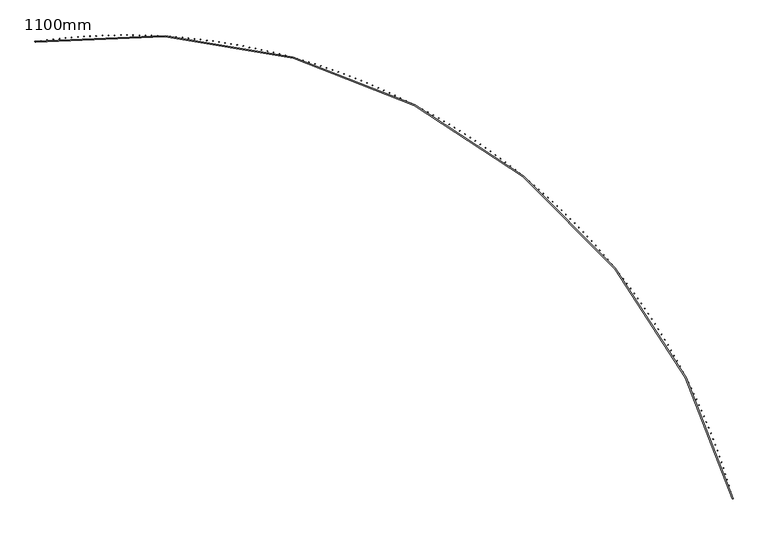
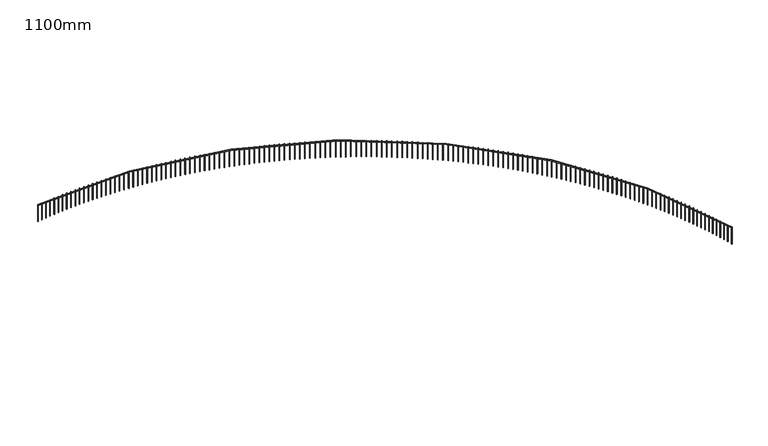
"""IFC4 building model written with IfcOpenShell, lengths in millimetres: railing geometry, 1100mm."""

import ifcopenshell
import ifcopenshell.guid

model = None  # the IFC model being written
_history = None  # IfcOwnerHistory: only IFC2X3 demands one
_inside = {}  # id of a spatial element -> (the spatial element, [elements in it])
_under = {}  # id of a project, library or spatial element -> (it, [spatial elements below it])
_declared = {}  # id of a project -> (the project, [libraries it declares])
_typed = {}  # id of a type object -> (the type object, [elements of that type])
_made_of = {}  # id of a material, layer set ... -> (it, [elements and type objects made of it])


def new_model(schema):
    """Start an empty IFC model of exactly this schema.

    Asked for "IFC4X3", IfcOpenShell would pick the latest addendum, in which some entities
    have other attributes; the version numbers below select the first issue.
    IFC2X3 requires an IfcOwnerHistory on every rooted entity: one is made here for all.
    """
    global model, _history
    if schema == "IFC4X3":
        model = ifcopenshell.file(schema_version=(4, 3, 0, 0))
    else:
        model = ifcopenshell.file(schema=schema)
    _inside.clear()
    _under.clear()
    _declared.clear()
    _typed.clear()
    _made_of.clear()
    _history = None
    if model.schema == "IFC2X3":
        org = make("IfcOrganization", Name="unknown")
        user = make(
            "IfcPersonAndOrganization",
            ThePerson=make("IfcPerson", FamilyName="unknown"),
            TheOrganization=org,
        )
        app = make(
            "IfcApplication",
            ApplicationDeveloper=org,
            Version="unknown",
            ApplicationFullName="unknown",
            ApplicationIdentifier="unknown",
        )
        _history = make(
            "IfcOwnerHistory",
            OwningUser=user,
            OwningApplication=app,
            ChangeAction="ADDED",
            CreationDate=0,
        )
    return model


def make(cls, **values):
    """One entity of the class cls with the attributes given. An attribute that is None is left unset."""
    return model.create_entity(
        cls, **{name: value for name, value in values.items() if value is not None}
    )


def rooted(cls, **values):
    """An entity with a GlobalId (a new one), such as an element, a storey or a relation."""
    return make(cls, GlobalId=ifcopenshell.guid.new(), OwnerHistory=_history, **values)


def si_unit(unit_type, name, prefix=None):
    """IfcSIUnit, for example si_unit("LENGTHUNIT", "METRE", prefix="MILLI")."""
    return make("IfcSIUnit", UnitType=unit_type, Prefix=prefix, Name=name)


def assignment(units):
    """IfcUnitAssignment: the units of a project."""
    return None if units is None else make("IfcUnitAssignment", Units=units)


def point(xyz):
    """IfcCartesianPoint."""
    return None if xyz is None else make("IfcCartesianPoint", Coordinates=xyz)


def direction(xyz):
    """IfcDirection."""
    return None if xyz is None else make("IfcDirection", DirectionRatios=xyz)


def frame(location, z_axis=None, x_axis=None):
    """IfcAxis2Placement3D, a coordinate frame: its origin and axes. An axis left out is left unset."""
    return make(
        "IfcAxis2Placement3D",
        Location=point(location),
        Axis=direction(z_axis),
        RefDirection=direction(x_axis),
    )


def frame_2d(location, x_axis=None):
    """IfcAxis2Placement2D, a coordinate frame in the plane: its origin and x axis."""
    return make(
        "IfcAxis2Placement2D", Location=point(location), RefDirection=direction(x_axis)
    )


def origin():
    """The frame at (0, 0, 0) with its axes left unset."""
    return frame((0.0, 0.0, 0.0))


def place(relative_to, where):
    """IfcLocalPlacement: puts the frame where relative to a parent placement (None: the world)."""
    return make(
        "IfcLocalPlacement", PlacementRelTo=relative_to, RelativePlacement=where
    )


def context(
    kind, dimensions, precision=None, world=None, true_north=None, identifier=None
):
    """IfcGeometricRepresentationContext, for example the 3D "Model" context."""
    return make(
        "IfcGeometricRepresentationContext",
        ContextIdentifier=identifier,
        ContextType=kind,
        CoordinateSpaceDimension=dimensions,
        Precision=precision,
        WorldCoordinateSystem=world,
        TrueNorth=true_north,
    )


def project(units=None, contexts=None):
    """IfcProject with its units and contexts."""
    return rooted(
        "IfcProject",
        Name="project",
        RepresentationContexts=contexts,
        UnitsInContext=assignment(units),
    )


def spatial(cls, under=None, at=None, **own):
    """A site, building, storey or space (cls), placed at a placement, below another one or the project."""
    s = rooted(cls, ObjectPlacement=at, **own)
    if under is not None:
        _under.setdefault(under.id(), (under, []))[1].append(s)
    return s


def polyline(points):
    """IfcPolyline through the points."""
    return make("IfcPolyline", Points=[point(p) for p in points])


def circle_curve(where, radius):
    """IfcCircle in the frame where."""
    return make("IfcCircle", Position=where, Radius=radius)


def trimmed(basis, trim1, trim2, sense, master):
    """IfcTrimmedCurve: the piece of a basis curve between two trims."""
    return make(
        "IfcTrimmedCurve",
        BasisCurve=basis,
        Trim1=trim1,
        Trim2=trim2,
        SenseAgreement=sense,
        MasterRepresentation=master,
    )


def segment(curve, same_sense, transition):
    """IfcCompositeCurveSegment."""
    return make(
        "IfcCompositeCurveSegment",
        Transition=transition,
        SameSense=same_sense,
        ParentCurve=curve,
    )


def composite_curve(segments, self_intersect=None):
    """IfcCompositeCurve: segments joined end to end."""
    return make("IfcCompositeCurve", Segments=segments, SelfIntersect=self_intersect)


def outline(outer, holes=None, kind="AREA"):
    """IfcArbitraryClosedProfileDef: a profile drawn as a closed curve; with holes, ...WithVoids."""
    if holes is None:
        return make("IfcArbitraryClosedProfileDef", ProfileType=kind, OuterCurve=outer)
    return make(
        "IfcArbitraryProfileDefWithVoids",
        ProfileType=kind,
        OuterCurve=outer,
        InnerCurves=holes,
    )


def extrude(swept, where, along, depth):
    """IfcExtrudedAreaSolid: the profile swept, set in the frame where, extruded along a direction by depth."""
    return make(
        "IfcExtrudedAreaSolid",
        SweptArea=swept,
        Position=where,
        ExtrudedDirection=direction(along),
        Depth=depth,
    )


def shape(context_of_items, identifier, shape_type, items):
    """IfcShapeRepresentation: the items that make up one representation, for example the "Body"."""
    return make(
        "IfcShapeRepresentation",
        ContextOfItems=context_of_items,
        RepresentationIdentifier=identifier,
        RepresentationType=shape_type,
        Items=items,
    )


def source(mapping_origin, context_of_items, identifier, shape_type, items):
    """IfcRepresentationMap: a shape defined once, which mapped items show again and again."""
    return make(
        "IfcRepresentationMap",
        MappingOrigin=mapping_origin,
        MappedRepresentation=shape(context_of_items, identifier, shape_type, items),
    )


def transform(
    local_origin,
    x_axis=None,
    y_axis=None,
    z_axis=None,
    scale=None,
    scale2=None,
    scale3=None,
    uniform=True,
):
    """IfcCartesianTransformationOperator3D, or its non-uniform kind. x_axis, y_axis, z_axis: its Axis1, 2, 3."""
    if uniform:
        return make(
            "IfcCartesianTransformationOperator3D",
            Axis1=direction(x_axis),
            Axis2=direction(y_axis),
            LocalOrigin=point(local_origin),
            Scale=scale,
            Axis3=direction(z_axis),
        )
    return make(
        "IfcCartesianTransformationOperator3DnonUniform",
        Axis1=direction(x_axis),
        Axis2=direction(y_axis),
        LocalOrigin=point(local_origin),
        Scale=scale,
        Axis3=direction(z_axis),
        Scale2=scale2,
        Scale3=scale3,
    )


def mapped(mapping_source, mapping_target):
    """IfcMappedItem: shows the shape of a source again, moved by a transform."""
    return make(
        "IfcMappedItem", MappingSource=mapping_source, MappingTarget=mapping_target
    )


def made_of(thing, what):
    """Note that an element or type object is made of a material, layer set ...; save() writes the relation."""
    if what is not None:
        _made_of.setdefault(what.id(), (what, []))[1].append(thing)
    return thing


def element(
    cls,
    number,
    at=None,
    inside=None,
    cuts=None,
    type_object=None,
    material=None,
    context=None,
    identifier="Body",
    shape_type=None,
    held_by="IfcProductDefinitionShape",
    body=None,
    shapes=None,
    **own,
):
    """One element of the class cls, such as IfcWall. Its Tag is "e" and its number.

    at: its placement. inside: the storey or other place that contains it. cuts: it is an
    opening in that element (IfcRelVoidsElement). A single representation is given by context,
    identifier, shape_type and body (its items); several are given by shapes. held_by: the class
    of the entity that holds the representations. save() writes the other relations.
    """
    e = rooted(cls, Tag="e%d" % number, ObjectPlacement=at, **own)
    if body is not None:
        shapes = [shape(context, identifier, shape_type, body)]
    if shapes is not None:
        e.Representation = make(held_by, Representations=shapes)
    if inside is not None:
        _inside.setdefault(inside.id(), (inside, []))[1].append(e)
    if cuts is not None:
        rooted(
            "IfcRelVoidsElement", RelatingBuildingElement=cuts, RelatedOpeningElement=e
        )
    if type_object is not None:
        _typed.setdefault(type_object.id(), (type_object, []))[1].append(e)
    return made_of(e, material)


def aggregate(whole, parts):
    """IfcRelAggregates: a whole, such as a stair, and the parts it consists of."""
    return rooted("IfcRelAggregates", RelatingObject=whole, RelatedObjects=parts)


def save(model, path):
    """Write the relations noted so far, then the file.

    IfcRelAggregates (storeys below a building ...), IfcRelContainedInSpatialStructure (elements
    in a storey), IfcRelDefinesByType, IfcRelAssociatesMaterial and IfcRelDeclares: one each for
    every whole, place, type object, material and project.
    """
    for whole, parts in _under.values():
        aggregate(whole, parts)
    for where, things in _inside.values():
        rooted(
            "IfcRelContainedInSpatialStructure",
            RelatedElements=things,
            RelatingStructure=where,
        )
    for kind, things in _typed.values():
        rooted("IfcRelDefinesByType", RelatedObjects=things, RelatingType=kind)
    for what, things in _made_of.values():
        rooted("IfcRelAssociatesMaterial", RelatedObjects=things, RelatingMaterial=what)
    for by, libraries in _declared.values():
        rooted("IfcRelDeclares", RelatingContext=by, RelatedDefinitions=libraries)
    model.write(path)


def railing_1100mm_b6521750(model_context):
    return source(origin(), model_context, "Body", "SweptSolid", [
        extrude(outline(composite_curve([segment(trimmed(circle_curve(frame_2d((-8794.2031957, -54023.2815566)), 28027.8933111), [point((18263.3200525, -46712.1093436))], [point((-12873.1716323, -26293.787873))], True, "CARTESIAN"), True, "CONTINUOUS"), segment(polyline([(-12873.1716323, -26293.787873), (-12880.4482557, -26244.3201992)]), True, "CONTINUOUS"), segment(trimmed(circle_curve(frame_2d((-8794.2031957, -54023.2815566)), 28077.8933111), [point((-12880.4482557, -26244.3201992))], [point((18311.5889733, -46699.0666719))], False, "CARTESIAN"), True, "CONTINUOUS"), segment(polyline([(18311.5889733, -46699.0666719), (18263.3200525, -46712.1093436)]), True, "CONTINUOUS")], self_intersect=False)), frame((0.0, 0.0, 23650.0), z_axis=(0.0, 0.0, 1.0), x_axis=(1.0, 0.0, 0.0)), (0.0, 0.0, 1.0), 50.0),
        extrude(outline(polyline([(18256.6030696, -46639.6717561), (18280.7237123, -46633.0994967), (18287.2959717, -46657.2201395), (18263.1753289, -46663.7923988), (18256.6030696, -46639.6717561)])), frame((0.0, 0.0, 22600.0), z_axis=(0.0, 0.0, 1.0), x_axis=(1.0, 0.0, 0.0)), (0.0, 0.0, 1.0), 1050.0),
        extrude(outline(polyline([(18182.9236225, -46374.8541414), (18206.97868, -46368.0457491), (18213.7870723, -46392.1008067), (18189.7320147, -46398.909199), (18182.9236225, -46374.8541414)])), frame((0.0, 0.0, 22600.0), z_axis=(0.0, 0.0, 1.0), x_axis=(1.0, 0.0, 0.0)), (0.0, 0.0, 1.0), 1050.0),
        extrude(outline(polyline([(18106.6517737, -46110.7715122), (18130.6389345, -46103.7276413), (18137.6828054, -46127.7148021), (18113.6956447, -46134.758673), (18106.6517737, -46110.7715122)])), frame((0.0, 0.0, 22600.0), z_axis=(0.0, 0.0, 1.0), x_axis=(1.0, 0.0, 0.0)), (0.0, 0.0, 1.0), 1050.0),
        extrude(outline(polyline([(18027.7948528, -45847.4492458), (18051.7118117, -45840.1705731), (18058.9904844, -45864.087532), (18035.0735255, -45871.3662047), (18027.7948528, -45847.4492458)])), frame((0.0, 0.0, 22600.0), z_axis=(0.0, 0.0, 1.0), x_axis=(1.0, 0.0, 0.0)), (0.0, 0.0, 1.0), 1050.0),
        extrude(outline(polyline([(17946.3604376, -45584.9126465), (17970.2048963, -45577.3998715), (17977.7176713, -45601.2443302), (17953.8732126, -45608.7571052), (17946.3604376, -45584.9126465)])), frame((0.0, 0.0, 22600.0), z_axis=(0.0, 0.0, 1.0), x_axis=(1.0, 0.0, 0.0)), (0.0, 0.0, 1.0), 1050.0),
        extrude(outline(polyline([(17862.3563536, -45323.1869431), (17886.1260207, -45315.4407877), (17893.8721762, -45339.2104549), (17870.102509, -45346.9566103), (17862.3563536, -45323.1869431)])), frame((0.0, 0.0, 22600.0), z_axis=(0.0, 0.0, 1.0), x_axis=(1.0, 0.0, 0.0)), (0.0, 0.0, 1.0), 1050.0),
        extrude(outline(polyline([(17775.7906733, -45062.2972865), (17799.4832647, -45054.3184951), (17807.4620561, -45078.0110865), (17783.7694647, -45085.9898779), (17775.7906733, -45062.2972865)])), frame((0.0, 0.0, 22600.0), z_axis=(0.0, 0.0, 1.0), x_axis=(1.0, 0.0, 0.0)), (0.0, 0.0, 1.0), 1050.0),
        extrude(outline(polyline([(17686.6717154, -44802.2687471), (17710.2849543, -44794.0580864), (17718.4956149, -44817.6713253), (17694.882376, -44825.881986), (17686.6717154, -44802.2687471)])), frame((0.0, 0.0, 22600.0), z_axis=(0.0, 0.0, 1.0), x_axis=(1.0, 0.0, 0.0)), (0.0, 0.0, 1.0), 1050.0),
        extrude(outline(polyline([(17595.0080438, -44543.1263128), (17618.539661, -44534.6845719), (17626.9814019, -44558.2161891), (17603.4497847, -44566.65793), (17595.0080438, -44543.1263128)])), frame((0.0, 0.0, 22600.0), z_axis=(0.0, 0.0, 1.0), x_axis=(1.0, 0.0, 0.0)), (0.0, 0.0, 1.0), 1050.0),
        extrude(outline(polyline([(17500.8084671, -44284.8948862), (17524.2562014, -44276.2228762), (17532.9282113, -44299.6706105), (17509.480477, -44308.3426205), (17500.8084671, -44284.8948862)])), frame((0.0, 0.0, 22600.0), z_axis=(0.0, 0.0, 1.0), x_axis=(1.0, 0.0, 0.0)), (0.0, 0.0, 1.0), 1050.0),
        extrude(outline(polyline([(17404.0820375, -44027.5992823), (17427.4436356, -44018.6978367), (17436.3450812, -44042.0594347), (17412.9834831, -44050.9608804), (17404.0820375, -44027.5992823)])), frame((0.0, 0.0, 22600.0), z_axis=(0.0, 0.0, 1.0), x_axis=(1.0, 0.0, 0.0)), (0.0, 0.0, 1.0), 1050.0),
        extrude(outline(polyline([(17304.8380501, -43771.2642263), (17328.111267, -43762.1342004), (17337.2412929, -43785.4074173), (17313.968076, -43794.5374433), (17304.8380501, -43771.2642263)])), frame((0.0, 0.0, 22600.0), z_axis=(0.0, 0.0, 1.0), x_axis=(1.0, 0.0, 0.0)), (0.0, 0.0, 1.0), 1050.0),
        extrude(outline(polyline([(17203.0860418, -43515.9143511), (17226.2686411, -43506.5566223), (17235.62637, -43529.7392216), (17212.4437706, -43539.0969505), (17203.0860418, -43515.9143511)])), frame((0.0, 0.0, 22600.0), z_axis=(0.0, 0.0, 1.0), x_axis=(1.0, 0.0, 0.0)), (0.0, 0.0, 1.0), 1050.0),
        extrude(outline(polyline([(17098.8357907, -43261.5741949), (17121.9255446, -43251.9896623), (17131.5100771, -43275.0794163), (17108.4203232, -43284.6639488), (17098.8357907, -43261.5741949)])), frame((0.0, 0.0, 22600.0), z_axis=(0.0, 0.0, 1.0), x_axis=(1.0, 0.0, 0.0)), (0.0, 0.0, 1.0), 1050.0),
        extrude(outline(polyline([(16992.0973147, -43008.2681987), (17015.0920044, -42998.4577835), (17024.9024196, -43021.4524732), (17001.9077299, -43031.2628884), (16992.0973147, -43008.2681987)])), frame((0.0, 0.0, 22600.0), z_axis=(0.0, 0.0, 1.0), x_axis=(1.0, 0.0, 0.0)), (0.0, 0.0, 1.0), 1050.0),
        extrude(outline(polyline([(16882.8808711, -42756.0207043), (16905.7782869, -42745.9853493), (16915.813642, -42768.882765), (16892.9162262, -42778.9181201), (16882.8808711, -42756.0207043)])), frame((0.0, 0.0, 22600.0), z_axis=(0.0, 0.0, 1.0), x_axis=(1.0, 0.0, 0.0)), (0.0, 0.0, 1.0), 1050.0),
        extrude(outline(polyline([(16771.1969552, -42504.8559519), (16793.9948967, -42494.5966213), (16804.2542273, -42517.3945627), (16781.4562858, -42527.6538934), (16771.1969552, -42504.8559519)])), frame((0.0, 0.0, 22600.0), z_axis=(0.0, 0.0, 1.0), x_axis=(1.0, 0.0, 0.0)), (0.0, 0.0, 1.0), 1050.0),
        extrude(outline(polyline([(16657.0562994, -42254.7980773), (16679.7525758, -42244.315757), (16690.234896, -42267.0120334), (16667.5386197, -42277.4943537), (16657.0562994, -42254.7980773)])), frame((0.0, 0.0, 22600.0), z_axis=(0.0, 0.0, 1.0), x_axis=(1.0, 0.0, 0.0)), (0.0, 0.0, 1.0), 1050.0),
        extrude(outline(polyline([(16540.4698721, -42005.8711103), (16563.0623024, -41995.1668076), (16573.766605, -42017.7592379), (16551.1741747, -42028.4635405), (16540.4698721, -42005.8711103)])), frame((0.0, 0.0, 22600.0), z_axis=(0.0, 0.0, 1.0), x_axis=(1.0, 0.0, 0.0)), (0.0, 0.0, 1.0), 1050.0),
        extrude(outline(polyline([(16421.4488769, -41758.0989717), (16443.93529, -41747.1737154), (16454.8605463, -41769.6601285), (16432.3741332, -41780.5853848), (16421.4488769, -41758.0989717)])), frame((0.0, 0.0, 22600.0), z_axis=(0.0, 0.0, 1.0), x_axis=(1.0, 0.0, 0.0)), (0.0, 0.0, 1.0), 1050.0),
        extrude(outline(polyline([(16300.0047513, -41511.5054716), (16322.3829864, -41500.3603114), (16333.5281465, -41522.7385465), (16311.1499114, -41533.8837067), (16300.0047513, -41511.5054716)])), frame((0.0, 0.0, 22600.0), z_axis=(0.0, 0.0, 1.0), x_axis=(1.0, 0.0, 0.0)), (0.0, 0.0, 1.0), 1050.0),
        extrude(outline(polyline([(16176.1491655, -41266.1143066), (16198.4170721, -41254.7503137), (16209.7810651, -41277.0182203), (16187.5131585, -41288.3822132), (16176.1491655, -41266.1143066)])), frame((0.0, 0.0, 22600.0), z_axis=(0.0, 0.0, 1.0), x_axis=(1.0, 0.0, 0.0)), (0.0, 0.0, 1.0), 1050.0),
        extrude(outline(polyline([(16049.8940217, -41021.949058), (16072.04946, -41010.3673243), (16083.6311937, -41032.5227625), (16061.4757555, -41044.1044963), (16049.8940217, -41021.949058)])), frame((0.0, 0.0, 22600.0), z_axis=(0.0, 0.0, 1.0), x_axis=(1.0, 0.0, 0.0)), (0.0, 0.0, 1.0), 1050.0),
        extrude(outline(polyline([(15921.2514526, -40779.0331892), (15943.2922934, -40767.2348276), (15955.090655, -40789.2756684), (15933.0498141, -40801.07403), (15921.2514526, -40779.0331892)])), frame((0.0, 0.0, 22600.0), z_axis=(0.0, 0.0, 1.0), x_axis=(1.0, 0.0, 0.0)), (0.0, 0.0, 1.0), 1050.0),
        extrude(outline(polyline([(15790.23382, -40537.3900434), (15812.1579454, -40525.3761878), (15824.171801, -40547.3003131), (15802.2476756, -40559.3141687), (15790.23382, -40537.3900434)])), frame((0.0, 0.0, 22600.0), z_axis=(0.0, 0.0, 1.0), x_axis=(1.0, 0.0, 0.0)), (0.0, 0.0, 1.0), 1050.0),
        extrude(outline(polyline([(15656.8537145, -40297.0428416), (15678.6590176, -40284.8146464), (15690.8872128, -40306.6199495), (15669.0819097, -40318.8481447), (15656.8537145, -40297.0428416)])), frame((0.0, 0.0, 22600.0), z_axis=(0.0, 0.0, 1.0), x_axis=(1.0, 0.0, 0.0)), (0.0, 0.0, 1.0), 1050.0),
        extrude(outline(polyline([(15521.1239533, -40058.0146803), (15542.8083387, -40045.5733207), (15555.2496983, -40067.2577061), (15533.5653129, -40079.6990658), (15521.1239533, -40058.0146803)])), frame((0.0, 0.0, 22600.0), z_axis=(0.0, 0.0, 1.0), x_axis=(1.0, 0.0, 0.0)), (0.0, 0.0, 1.0), 1050.0),
        extrude(outline(polyline([(15383.0575795, -39820.3285293), (15404.6189635, -39807.6752008), (15417.272292, -39829.2365847), (15395.710908, -39841.8899133), (15383.0575795, -39820.3285293)])), frame((0.0, 0.0, 22600.0), z_axis=(0.0, 0.0, 1.0), x_axis=(1.0, 0.0, 0.0)), (0.0, 0.0, 1.0), 1050.0),
        extrude(outline(polyline([(15242.6678609, -39584.0072293), (15264.1041713, -39571.1431478), (15276.9682528, -39592.5794583), (15255.5319423, -39605.4435398), (15242.6678609, -39584.0072293)])), frame((0.0, 0.0, 22600.0), z_axis=(0.0, 0.0, 1.0), x_axis=(1.0, 0.0, 0.0)), (0.0, 0.0, 1.0), 1050.0),
        extrude(outline(polyline([(15099.9682882, -39349.0734899), (15121.2774653, -39335.9998916), (15134.3510636, -39357.3090687), (15113.0418865, -39370.382667), (15099.9682882, -39349.0734899)])), frame((0.0, 0.0, 22600.0), z_axis=(0.0, 0.0, 1.0), x_axis=(1.0, 0.0, 0.0)), (0.0, 0.0, 1.0), 1050.0),
        extrude(outline(polyline([(14954.9725745, -39115.5498873), (14976.1525705, -39102.2680286), (14989.4344292, -39123.4480246), (14968.2544332, -39136.7298833), (14954.9725745, -39115.5498873)])), frame((0.0, 0.0, 22600.0), z_axis=(0.0, 0.0, 1.0), x_axis=(1.0, 0.0, 0.0)), (0.0, 0.0, 1.0), 1050.0),
        extrude(outline(polyline([(14807.6946533, -38883.4588623), (14828.7434328, -38869.9700195), (14842.2322756, -38891.0187991), (14821.1834961, -38904.5076419), (14807.6946533, -38883.4588623)])), frame((0.0, 0.0, 22600.0), z_axis=(0.0, 0.0, 1.0), x_axis=(1.0, 0.0, 0.0)), (0.0, 0.0, 1.0), 1050.0),
        extrude(outline(polyline([(14658.1486774, -38652.8227181), (14679.0642178, -38639.1281874), (14692.7587485, -38660.0437277), (14671.8432081, -38673.7382584), (14658.1486774, -38652.8227181)])), frame((0.0, 0.0, 22600.0), z_axis=(0.0, 0.0, 1.0), x_axis=(1.0, 0.0, 0.0)), (0.0, 0.0, 1.0), 1050.0),
        extrude(outline(polyline([(14506.3490177, -38423.6636177), (14527.129309, -38409.7647152), (14541.0282116, -38430.5450065), (14520.2479203, -38444.443909), (14506.3490177, -38423.6636177)])), frame((0.0, 0.0, 22600.0), z_axis=(0.0, 0.0, 1.0), x_axis=(1.0, 0.0, 0.0)), (0.0, 0.0, 1.0), 1050.0),
        extrude(outline(polyline([(14352.3102615, -38196.0035827), (14372.9533069, -38181.9016439), (14387.0552457, -38202.5446892), (14366.4122004, -38216.6466281), (14352.3102615, -38196.0035827)])), frame((0.0, 0.0, 22600.0), z_axis=(0.0, 0.0, 1.0), x_axis=(1.0, 0.0, 0.0)), (0.0, 0.0, 1.0), 1050.0),
        extrude(outline(polyline([(14196.0472114, -37969.8644903), (14216.5510271, -37955.5608703), (14230.854647, -37976.064686), (14210.3508314, -37990.3683059), (14196.0472114, -37969.8644903)])), frame((0.0, 0.0, 22600.0), z_axis=(0.0, 0.0, 1.0), x_axis=(1.0, 0.0, 0.0)), (0.0, 0.0, 1.0), 1050.0),
        extrude(outline(polyline([(14037.5748837, -37745.2680715), (14057.9374994, -37730.764145), (14072.4414259, -37751.1267606), (14052.0788103, -37765.6306872), (14037.5748837, -37745.2680715)])), frame((0.0, 0.0, 22600.0), z_axis=(0.0, 0.0, 1.0), x_axis=(1.0, 0.0, 0.0)), (0.0, 0.0, 1.0), 1050.0),
        extrude(outline(polyline([(13876.908507, -37522.2359094), (13897.1279659, -37507.5330701), (13911.8308052, -37527.7525289), (13891.6113464, -37542.4553682), (13876.908507, -37522.2359094)])), frame((0.0, 0.0, 22600.0), z_axis=(0.0, 0.0, 1.0), x_axis=(1.0, 0.0, 0.0)), (0.0, 0.0, 1.0), 1050.0),
        extrude(outline(polyline([(13714.0635208, -37300.7894364), (13734.1378798, -37285.8890972), (13749.038219, -37305.9634562), (13728.96386, -37320.8637954), (13714.0635208, -37300.7894364)])), frame((0.0, 0.0, 22600.0), z_axis=(0.0, 0.0, 1.0), x_axis=(1.0, 0.0, 0.0)), (0.0, 0.0, 1.0), 1050.0),
        extrude(outline(polyline([(13549.0555737, -37080.9499328), (13568.9829038, -37065.8535255), (13584.0793112, -37085.7808556), (13564.151981, -37100.8772629), (13549.0555737, -37080.9499328)])), frame((0.0, 0.0, 22600.0), z_axis=(0.0, 0.0, 1.0), x_axis=(1.0, 0.0, 0.0)), (0.0, 0.0, 1.0), 1050.0),
        extrude(outline(polyline([(13381.9005225, -36862.7385242), (13401.6789088, -36847.4474996), (13416.9699335, -36867.2258859), (13397.1915472, -36882.5169105), (13381.9005225, -36862.7385242)])), frame((0.0, 0.0, 22600.0), z_axis=(0.0, 0.0, 1.0), x_axis=(1.0, 0.0, 0.0)), (0.0, 0.0, 1.0), 1050.0),
        extrude(outline(polyline([(13212.6144302, -36646.1761801), (13232.2419721, -36630.6920075), (13247.7261447, -36650.3195493), (13228.0986029, -36665.8037219), (13212.6144302, -36646.1761801)])), frame((0.0, 0.0, 22600.0), z_axis=(0.0, 0.0, 1.0), x_axis=(1.0, 0.0, 0.0)), (0.0, 0.0, 1.0), 1050.0),
        extrude(outline(polyline([(13041.2135646, -36431.2837112), (13060.6883758, -36415.6078786), (13076.3642084, -36435.0826898), (13056.8893971, -36450.7585224), (13041.2135646, -36431.2837112)])), frame((0.0, 0.0, 22600.0), z_axis=(0.0, 0.0, 1.0), x_axis=(1.0, 0.0, 0.0)), (0.0, 0.0, 1.0), 1050.0),
        extrude(outline(polyline([(12867.7143965, -36218.0817679), (12887.0346057, -36202.2157817), (12902.9005918, -36221.5359909), (12883.5803827, -36237.4019771), (12867.7143965, -36218.0817679)])), frame((0.0, 0.0, 22600.0), z_axis=(0.0, 0.0, 1.0), x_axis=(1.0, 0.0, 0.0)), (0.0, 0.0, 1.0), 1050.0),
        extrude(outline(polyline([(12692.1335987, -36006.5908381), (12711.2973492, -35990.536223), (12727.3519643, -36009.6999735), (12708.1882137, -36025.7545886), (12692.1335987, -36006.5908381)])), frame((0.0, 0.0, 22600.0), z_axis=(0.0, 0.0, 1.0), x_axis=(1.0, 0.0, 0.0)), (0.0, 0.0, 1.0), 1050.0),
        extrude(outline(polyline([(12514.4880437, -35796.8312453), (12533.4934941, -35780.5895441), (12549.7351953, -35799.5949944), (12530.7297449, -35815.8366956), (12514.4880437, -35796.8312453)])), frame((0.0, 0.0, 22600.0), z_axis=(0.0, 0.0, 1.0), x_axis=(1.0, 0.0, 0.0)), (0.0, 0.0, 1.0), 1050.0),
        extrude(outline(polyline([(12334.7948028, -35588.8231466), (12353.6401265, -35572.3959201), (12370.0673531, -35591.2412438), (12351.2220293, -35607.6684704), (12334.7948028, -35588.8231466)])), frame((0.0, 0.0, 22600.0), z_axis=(0.0, 0.0, 1.0), x_axis=(1.0, 0.0, 0.0)), (0.0, 0.0, 1.0), 1050.0),
        extrude(outline(polyline([(12153.0711436, -35382.5865309), (12171.7545299, -35365.9753576), (12188.3657032, -35384.6587438), (12169.682317, -35401.2699171), (12153.0711436, -35382.5865309)])), frame((0.0, 0.0, 22600.0), z_axis=(0.0, 0.0, 1.0), x_axis=(1.0, 0.0, 0.0)), (0.0, 0.0, 1.0), 1050.0),
        extrude(outline(polyline([(11969.3345293, -35178.1412167), (11987.8541826, -35161.3476929), (12004.6477064, -35179.8673462), (11986.1280531, -35196.66087), (11969.3345293, -35178.1412167)])), frame((0.0, 0.0, 22600.0), z_axis=(0.0, 0.0, 1.0), x_axis=(1.0, 0.0, 0.0)), (0.0, 0.0, 1.0), 1050.0),
        extrude(outline(polyline([(11783.6026162, -34975.5068504), (11801.9567569, -34958.5325899), (11818.9310174, -34976.8867306), (11800.5768767, -34993.8609911), (11783.6026162, -34975.5068504)])), frame((0.0, 0.0, 22600.0), z_axis=(0.0, 0.0, 1.0), x_axis=(1.0, 0.0, 0.0)), (0.0, 0.0, 1.0), 1050.0),
        extrude(outline(polyline([(11595.8932524, -34774.7029045), (11614.0801167, -34757.5495385), (11631.2334827, -34775.7364028), (11613.0466184, -34792.8897688), (11595.8932524, -34774.7029045)])), frame((0.0, 0.0, 22600.0), z_axis=(0.0, 0.0, 1.0), x_axis=(1.0, 0.0, 0.0)), (0.0, 0.0, 1.0), 1050.0),
        extrude(outline(polyline([(11406.2244761, -34575.7486755), (11424.2423164, -34558.4178522), (11441.5731396, -34576.4356925), (11423.5552993, -34593.7665157), (11406.2244761, -34575.7486755)])), frame((0.0, 0.0, 22600.0), z_axis=(0.0, 0.0, 1.0), x_axis=(1.0, 0.0, 0.0)), (0.0, 0.0, 1.0), 1050.0),
        extrude(outline(polyline([(11214.6145138, -34378.663282), (11232.4615986, -34361.1566671), (11249.9682135, -34379.0037518), (11232.1211288, -34396.5103667), (11214.6145138, -34378.663282)])), frame((0.0, 0.0, 22600.0), z_axis=(0.0, 0.0, 1.0), x_axis=(1.0, 0.0, 0.0)), (0.0, 0.0, 1.0), 1050.0),
        extrude(outline(polyline([(11021.0817786, -34183.4656634), (11038.7563927, -34165.784939), (11056.4371171, -34183.4595532), (11038.7625029, -34201.1402776), (11021.0817786, -34183.4656634)])), frame((0.0, 0.0, 22600.0), z_axis=(0.0, 0.0, 1.0), x_axis=(1.0, 0.0, 0.0)), (0.0, 0.0, 1.0), 1050.0),
        extrude(outline(polyline([(10825.644868, -33990.1745773), (10843.1453132, -33972.3214426), (10860.9984479, -33989.8218878), (10843.4980027, -34007.6750225), (10825.644868, -33990.1745773)])), frame((0.0, 0.0, 22600.0), z_axis=(0.0, 0.0, 1.0), x_axis=(1.0, 0.0, 0.0)), (0.0, 0.0, 1.0), 1050.0),
        extrude(outline(polyline([(10628.322563, -33798.8085983), (10645.6471575, -33780.7847689), (10663.6709869, -33798.1093633), (10646.3463925, -33816.1331928), (10628.322563, -33798.8085983)])), frame((0.0, 0.0, 22600.0), z_axis=(0.0, 0.0, 1.0), x_axis=(1.0, 0.0, 0.0)), (0.0, 0.0, 1.0), 1050.0),
        extrude(outline(polyline([(10429.1338255, -33609.3861161), (10446.2809044, -33591.1933239), (10464.4736965, -33608.3404028), (10447.3266177, -33626.5331949), (10429.1338255, -33609.3861161)])), frame((0.0, 0.0, 22600.0), z_axis=(0.0, 0.0, 1.0), x_axis=(1.0, 0.0, 0.0)), (0.0, 0.0, 1.0), 1050.0),
        extrude(outline(polyline([(10228.0977967, -33421.9253333), (10245.0657123, -33403.5653266), (10263.4257189, -33420.5332422), (10246.4578034, -33438.8932488), (10228.0977967, -33421.9253333)])), frame((0.0, 0.0, 22600.0), z_axis=(0.0, 0.0, 1.0), x_axis=(1.0, 0.0, 0.0)), (0.0, 0.0, 1.0), 1050.0),
        extrude(outline(polyline([(10025.2337956, -33236.4442642), (10042.0209172, -33217.9188075), (10060.5463739, -33234.7059291), (10043.7592523, -33253.2313858), (10025.2337956, -33236.4442642)])), frame((0.0, 0.0, 22600.0), z_axis=(0.0, 0.0, 1.0), x_axis=(1.0, 0.0, 0.0)), (0.0, 0.0, 1.0), 1050.0),
        extrude(outline(polyline([(9820.5613164, -33052.960733), (9837.166031, -33034.2716063), (9855.8551576, -33050.8763209), (9839.2504431, -33069.5654475), (9820.5613164, -33052.960733)])), frame((0.0, 0.0, 22600.0), z_axis=(0.0, 0.0, 1.0), x_axis=(1.0, 0.0, 0.0)), (0.0, 0.0, 1.0), 1050.0),
        extrude(outline(polyline([(9614.1000276, -32871.4923716), (9630.5207394, -32852.641371), (9649.37174, -32869.0620829), (9632.9510282, -32887.9130834), (9614.1000276, -32871.4923716)])), frame((0.0, 0.0, 22600.0), z_axis=(0.0, 0.0, 1.0), x_axis=(1.0, 0.0, 0.0)), (0.0, 0.0, 1.0), 1050.0),
        extrude(outline(polyline([(9405.8697693, -32692.0566186), (9422.1049004, -32673.0455556), (9441.1159634, -32689.2806867), (9424.8808323, -32708.2917497), (9405.8697693, -32692.0566186)])), frame((0.0, 0.0, 22600.0), z_axis=(0.0, 0.0, 1.0), x_axis=(1.0, 0.0, 0.0)), (0.0, 0.0, 1.0), 1050.0),
        extrude(outline(polyline([(9195.8905516, -32514.670717), (9211.9385419, -32495.5014184), (9231.1078405, -32511.5494087), (9215.0598502, -32530.7187073), (9195.8905516, -32514.670717)])), frame((0.0, 0.0, 22600.0), z_axis=(0.0, 0.0, 1.0), x_axis=(1.0, 0.0, 0.0)), (0.0, 0.0, 1.0), 1050.0),
        extrude(outline(polyline([(8984.1825528, -32339.3517129), (9000.0418601, -32320.0260209), (9019.3675521, -32335.8853282), (9003.5082448, -32355.2110202), (8984.1825528, -32339.3517129)])), frame((0.0, 0.0, 22600.0), z_axis=(0.0, 0.0, 1.0), x_axis=(1.0, 0.0, 0.0)), (0.0, 0.0, 1.0), 1050.0),
        extrude(outline(polyline([(8770.7661172, -32166.1164539), (8786.4352175, -32146.6362256), (8805.9154458, -32162.3053259), (8790.2463455, -32181.7855542), (8770.7661172, -32166.1164539)])), frame((0.0, 0.0, 22600.0), z_axis=(0.0, 0.0, 1.0), x_axis=(1.0, 0.0, 0.0)), (0.0, 0.0, 1.0), 1050.0),
        extrude(outline(polyline([(8555.6617533, -31994.9815872), (8571.1391408, -31975.3486946), (8590.7720335, -31990.8260822), (8575.2946459, -32010.4589748), (8555.6617533, -31994.9815872)])), frame((0.0, 0.0, 22600.0), z_axis=(0.0, 0.0, 1.0), x_axis=(1.0, 0.0, 0.0)), (0.0, 0.0, 1.0), 1050.0),
        extrude(outline(polyline([(8338.8901319, -31825.9635583), (8354.1743194, -31806.179888), (8373.9579897, -31821.4640755), (8358.6738022, -31841.2477458), (8338.8901319, -31825.9635583)])), frame((0.0, 0.0, 22600.0), z_axis=(0.0, 0.0, 1.0), x_axis=(1.0, 0.0, 0.0)), (0.0, 0.0, 1.0), 1050.0),
        extrude(outline(polyline([(8120.4720839, -31659.0786091), (8135.5616026, -31639.1460622), (8155.4941494, -31654.2355809), (8140.4046308, -31674.1681278), (8120.4720839, -31659.0786091)])), frame((0.0, 0.0, 22600.0), z_axis=(0.0, 0.0, 1.0), x_axis=(1.0, 0.0, 0.0)), (0.0, 0.0, 1.0), 1050.0),
        extrude(outline(polyline([(7900.4285984, -31494.3427768), (7915.3219983, -31474.2632687), (7935.4015063, -31489.1566686), (7920.5081064, -31509.2361766), (7900.4285984, -31494.3427768)])), frame((0.0, 0.0, 22600.0), z_axis=(0.0, 0.0, 1.0), x_axis=(1.0, 0.0, 0.0)), (0.0, 0.0, 1.0), 1050.0),
        extrude(outline(polyline([(7678.780821, -31331.7718916), (7693.4766707, -31311.5473521), (7713.7012103, -31326.2432018), (7699.0053605, -31346.4677414), (7678.780821, -31331.7718916)])), frame((0.0, 0.0, 22600.0), z_axis=(0.0, 0.0, 1.0), x_axis=(1.0, 0.0, 0.0)), (0.0, 0.0, 1.0), 1050.0),
        extrude(outline(polyline([(7455.5500509, -31171.3815763), (7470.0469384, -31151.0139487), (7490.414566, -31165.5108361), (7475.9176785, -31185.8784637), (7455.5500509, -31171.3815763)])), frame((0.0, 0.0, 22600.0), z_axis=(0.0, 0.0, 1.0), x_axis=(1.0, 0.0, 0.0)), (0.0, 0.0, 1.0), 1050.0),
        extrude(outline(polyline([(7230.75774, -31013.1872435), (7245.0542721, -30992.6784852), (7265.5630305, -31006.9750172), (7251.2664984, -31027.4837756), (7230.75774, -31013.1872435)])), frame((0.0, 0.0, 22600.0), z_axis=(0.0, 0.0, 1.0), x_axis=(1.0, 0.0, 0.0)), (0.0, 0.0, 1.0), 1050.0),
        extrude(outline(polyline([(7004.4254899, -30857.2040953), (7018.5202928, -30836.556177), (7039.1682112, -30850.6509799), (7025.0734083, -30871.2988982), (7004.4254899, -30857.2040953)])), frame((0.0, 0.0, 22600.0), z_axis=(0.0, 0.0, 1.0), x_axis=(1.0, 0.0, 0.0)), (0.0, 0.0, 1.0), 1050.0),
        extrude(outline(polyline([(6776.5750504, -30703.4471211), (6790.4667695, -30682.6620269), (6811.2518637, -30696.5537461), (6797.3601445, -30717.3388403), (6776.5750504, -30703.4471211)])), frame((0.0, 0.0, 22600.0), z_axis=(0.0, 0.0, 1.0), x_axis=(1.0, 0.0, 0.0)), (0.0, 0.0, 1.0), 1050.0),
        extrude(outline(polyline([(6547.2283169, -30551.9310962), (6560.9156174, -30531.0108237), (6581.83589, -30544.6981243), (6568.1485894, -30565.6183968), (6547.2283169, -30551.9310962)])), frame((0.0, 0.0, 22600.0), z_axis=(0.0, 0.0, 1.0), x_axis=(1.0, 0.0, 0.0)), (0.0, 0.0, 1.0), 1050.0),
        extrude(outline(polyline([(6316.4073288, -30402.6705809), (6329.8888955, -30381.6171403), (6350.9423361, -30395.098707), (6337.4607694, -30416.1521476), (6316.4073288, -30402.6705809)])), frame((0.0, 0.0, 22600.0), z_axis=(0.0, 0.0, 1.0), x_axis=(1.0, 0.0, 0.0)), (0.0, 0.0, 1.0), 1050.0),
        extrude(outline(polyline([(6084.1342673, -30255.6799185), (6097.4088045, -30234.495333), (6118.59339, -30247.7698702), (6105.3188528, -30268.9544557), (6084.1342673, -30255.6799185)])), frame((0.0, 0.0, 22600.0), z_axis=(0.0, 0.0, 1.0), x_axis=(1.0, 0.0, 0.0)), (0.0, 0.0, 1.0), 1050.0),
        extrude(outline(polyline([(5850.4314528, -30110.9732343), (5863.4976849, -30089.6595397), (5884.8113795, -30102.7257718), (5871.7451474, -30124.0394664), (5850.4314528, -30110.9732343)])), frame((0.0, 0.0, 22600.0), z_axis=(0.0, 0.0, 1.0), x_axis=(1.0, 0.0, 0.0)), (0.0, 0.0, 1.0), 1050.0),
        extrude(outline(polyline([(5615.3213434, -29968.564434), (5628.1780148, -29947.1236785), (5649.6187704, -29959.9803499), (5636.762099, -29981.4211055), (5615.3213434, -29968.564434)])), frame((0.0, 0.0, 22600.0), z_axis=(0.0, 0.0, 1.0), x_axis=(1.0, 0.0, 0.0)), (0.0, 0.0, 1.0), 1050.0),
        extrude(outline(polyline([(5378.8265322, -29828.4672027), (5391.4724074, -29806.9014465), (5413.0381636, -29819.5473217), (5400.3922884, -29841.1130779), (5378.8265322, -29828.4672027)])), frame((0.0, 0.0, 22600.0), z_axis=(0.0, 0.0, 1.0), x_axis=(1.0, 0.0, 0.0)), (0.0, 0.0, 1.0), 1050.0),
        extrude(outline(polyline([(5140.9697455, -29690.695003), (5153.4036094, -29669.0063187), (5175.0922937, -29681.4401825), (5162.6584299, -29703.1288669), (5140.9697455, -29690.695003)])), frame((0.0, 0.0, 22600.0), z_axis=(0.0, 0.0, 1.0), x_axis=(1.0, 0.0, 0.0)), (0.0, 0.0, 1.0), 1050.0),
        extrude(outline(polyline([(4901.7738405, -29555.2610745), (4913.9944981, -29533.4515462), (4935.8040265, -29545.6722037), (4923.5833689, -29567.4817321), (4901.7738405, -29555.2610745)])), frame((0.0, 0.0, 22600.0), z_axis=(0.0, 0.0, 1.0), x_axis=(1.0, 0.0, 0.0)), (0.0, 0.0, 1.0), 1050.0),
        extrude(outline(polyline([(4661.2618031, -29422.1784318), (4673.2680801, -29400.2501553), (4695.1963566, -29412.2564322), (4683.1900797, -29434.1847088), (4661.2618031, -29422.1784318)])), frame((0.0, 0.0, 22600.0), z_axis=(0.0, 0.0, 1.0), x_axis=(1.0, 0.0, 0.0)), (0.0, 0.0, 1.0), 1050.0),
        extrude(outline(polyline([(4419.4567454, -29291.4598637), (4431.247488, -29269.4149462), (4453.2924056, -29281.2056888), (4441.501663, -29303.2506063), (4419.4567454, -29291.4598637)])), frame((0.0, 0.0, 22600.0), z_axis=(0.0, 0.0, 1.0), x_axis=(1.0, 0.0, 0.0)), (0.0, 0.0, 1.0), 1050.0),
        extrude(outline(polyline([(4176.3819042, -29163.1179317), (4187.9559794, -29140.9584917), (4210.1154194, -29152.5325669), (4198.5413443, -29174.6920069), (4176.3819042, -29163.1179317)])), frame((0.0, 0.0, 22600.0), z_axis=(0.0, 0.0, 1.0), x_axis=(1.0, 0.0, 0.0)), (0.0, 0.0, 1.0), 1050.0),
        extrude(outline(polyline([(3932.0606379, -29037.1649691), (3943.4169335, -29014.8931359), (3965.6887666, -29026.2494315), (3954.3324711, -29048.5212646), (3932.0606379, -29037.1649691)])), frame((0.0, 0.0, 22600.0), z_axis=(0.0, 0.0, 1.0), x_axis=(1.0, 0.0, 0.0)), (0.0, 0.0, 1.0), 1050.0),
        extrude(outline(polyline([(3686.516425, -28913.6130794), (3697.6538496, -28891.2309934), (3720.0359356, -28902.368418), (3708.898511, -28924.750504), (3686.516425, -28913.6130794)])), frame((0.0, 0.0, 22600.0), z_axis=(0.0, 0.0, 1.0), x_axis=(1.0, 0.0, 0.0)), (0.0, 0.0, 1.0), 1050.0),
        extrude(outline(polyline([(3439.7728613, -28792.4741354), (3450.6903448, -28769.9839474), (3473.1805327, -28780.9014309), (3462.2630493, -28803.3916188), (3439.7728613, -28792.4741354)])), frame((0.0, 0.0, 22600.0), z_axis=(0.0, 0.0, 1.0), x_axis=(1.0, 0.0, 0.0)), (0.0, 0.0, 1.0), 1050.0),
        extrude(outline(polyline([(3191.853658, -28673.7597783), (3202.5501511, -28651.1636495), (3225.1462799, -28661.8601426), (3214.4497868, -28684.4562714), (3191.853658, -28673.7597783)])), frame((0.0, 0.0, 22600.0), z_axis=(0.0, 0.0, 1.0), x_axis=(1.0, 0.0, 0.0)), (0.0, 0.0, 1.0), 1050.0),
        extrude(outline(polyline([(2942.7826392, -28557.481416), (2953.2571141, -28534.7815179), (2975.9570122, -28545.2559927), (2965.4825374, -28567.9558909), (2942.7826392, -28557.481416)])), frame((0.0, 0.0, 22600.0), z_axis=(0.0, 0.0, 1.0), x_axis=(1.0, 0.0, 0.0)), (0.0, 0.0, 1.0), 1050.0),
        extrude(outline(polyline([(2692.5837397, -28443.6502225), (2702.8351898, -28420.8487363), (2725.6366759, -28431.1001864), (2715.3852259, -28453.9016726), (2692.5837397, -28443.6502225)])), frame((0.0, 0.0, 22600.0), z_axis=(0.0, 0.0, 1.0), x_axis=(1.0, 0.0, 0.0)), (0.0, 0.0, 1.0), 1050.0),
        extrude(outline(polyline([(2441.2810026, -28332.2771364), (2451.3084428, -28309.3762534), (2474.2093258, -28319.4036936), (2464.1818857, -28342.3045766), (2441.2810026, -28332.2771364)])), frame((0.0, 0.0, 22600.0), z_axis=(0.0, 0.0, 1.0), x_axis=(1.0, 0.0, 0.0)), (0.0, 0.0, 1.0), 1050.0),
        extrude(outline(polyline([(2188.8985773, -28223.3728604), (2198.701044, -28200.3747812), (2221.6991232, -28210.1772478), (2211.8966565, -28233.1753271), (2188.8985773, -28223.3728604)])), frame((0.0, 0.0, 22600.0), z_axis=(0.0, 0.0, 1.0), x_axis=(1.0, 0.0, 0.0)), (0.0, 0.0, 1.0), 1050.0),
        extrude(outline(polyline([(1935.4607167, -28116.9478597), (1945.0372679, -28093.8547943), (1968.1303332, -28103.4313455), (1958.5537821, -28126.5244109), (1935.4607167, -28116.9478597)])), frame((0.0, 0.0, 22600.0), z_axis=(0.0, 0.0, 1.0), x_axis=(1.0, 0.0, 0.0)), (0.0, 0.0, 1.0), 1050.0),
        extrude(outline(polyline([(1680.9917753, -28013.0123614), (1690.3414907, -27989.826529), (1713.5273231, -27999.1762444), (1704.1776077, -28022.3620768), (1680.9917753, -28013.0123614)])), frame((0.0, 0.0, 22600.0), z_axis=(0.0, 0.0, 1.0), x_axis=(1.0, 0.0, 0.0)), (0.0, 0.0, 1.0), 1050.0),
        extrude(outline(polyline([(1425.5162066, -27911.5763533), (1434.6381878, -27888.299982), (1457.914559, -27897.4219632), (1448.7925779, -27920.6983344), (1425.5162066, -27911.5763533)])), frame((0.0, 0.0, 22600.0), z_axis=(0.0, 0.0, 1.0), x_axis=(1.0, 0.0, 0.0)), (0.0, 0.0, 1.0), 1050.0),
        extrude(outline(polyline([(1169.0585609, -27812.6495829), (1177.9519312, -27789.2849095), (1201.3166046, -27798.1782799), (1192.4232343, -27821.5429533), (1169.0585609, -27812.6495829)])), frame((0.0, 0.0, 22600.0), z_axis=(0.0, 0.0, 1.0), x_axis=(1.0, 0.0, 0.0)), (0.0, 0.0, 1.0), 1050.0),
        extrude(outline(polyline([(911.6434827, -27716.2415569), (920.3073876, -27692.7908266), (943.7581179, -27701.4547315), (935.094213, -27724.9054618), (911.6434827, -27716.2415569)])), frame((0.0, 0.0, 22600.0), z_axis=(0.0, 0.0, 1.0), x_axis=(1.0, 0.0, 0.0)), (0.0, 0.0, 1.0), 1050.0),
        extrude(outline(polyline([(653.2957087, -27622.3615397), (661.7293156, -27598.827006), (685.2638493, -27607.2606129), (676.8302424, -27630.7951466), (653.2957087, -27622.3615397)])), frame((0.0, 0.0, 22600.0), z_axis=(0.0, 0.0, 1.0), x_axis=(1.0, 0.0, 0.0)), (0.0, 0.0, 1.0), 1050.0),
        extrude(outline(polyline([(394.0400652, -27531.0185527), (402.2425637, -27507.4024773), (425.8586391, -27515.6049757), (417.6561407, -27539.2210512), (394.0400652, -27531.0185527)])), frame((0.0, 0.0, 22600.0), z_axis=(0.0, 0.0, 1.0), x_axis=(1.0, 0.0, 0.0)), (0.0, 0.0, 1.0), 1050.0),
        extrude(outline(polyline([(133.9014657, -27442.2213738), (141.8720675, -27418.526026), (165.5674153, -27426.4966277), (157.5968135, -27450.1919755), (133.9014657, -27442.2213738)])), frame((0.0, 0.0, 22600.0), z_axis=(0.0, 0.0, 1.0), x_axis=(1.0, 0.0, 0.0)), (0.0, 0.0, 1.0), 1050.0),
        extrude(outline(polyline([(-127.0950915, -27355.9785359), (-119.3571524, -27332.2061928), (-95.5848092, -27339.9441319), (-103.3227484, -27363.716475), (-127.0950915, -27355.9785359)])), frame((0.0, 0.0, 22600.0), z_axis=(0.0, 0.0, 1.0), x_axis=(1.0, 0.0, 0.0)), (0.0, 0.0, 1.0), 1050.0),
        extrude(outline(polyline([(-388.9245256, -27272.2983267), (-381.4199926, -27248.4512727), (-357.5729386, -27255.9558056), (-365.0774715, -27279.8028596), (-388.9245256, -27272.2983267)])), frame((0.0, 0.0, 22600.0), z_axis=(0.0, 0.0, 1.0), x_axis=(1.0, 0.0, 0.0)), (0.0, 0.0, 1.0), 1050.0),
        extrude(outline(polyline([(-651.5616757, -27191.1887876), (-644.2912701, -27167.2693143), (-620.3717968, -27174.5397199), (-627.6422024, -27198.4591932), (-651.5616757, -27191.1887876)])), frame((0.0, 0.0, 22600.0), z_axis=(0.0, 0.0, 1.0), x_axis=(1.0, 0.0, 0.0)), (0.0, 0.0, 1.0), 1050.0),
        extrude(outline(polyline([(-914.9813034, -27112.6577129), (-907.9457238, -27088.6681189), (-883.9561298, -27095.7036984), (-890.9917093, -27119.6932924), (-914.9813034, -27112.6577129)])), frame((0.0, 0.0, 22600.0), z_axis=(0.0, 0.0, 1.0), x_axis=(1.0, 0.0, 0.0)), (0.0, 0.0, 1.0), 1050.0),
        extrude(outline(polyline([(-1179.158095, -27036.712649), (-1172.3580176, -27012.6552396), (-1148.3006082, -27019.4553171), (-1155.1006856, -27043.5127265), (-1179.158095, -27036.712649)])), frame((0.0, 0.0, 22600.0), z_axis=(0.0, 0.0, 1.0), x_axis=(1.0, 0.0, 0.0)), (0.0, 0.0, 1.0), 1050.0),
        extrude(outline(polyline([(-1444.0666641, -26963.3608942), (-1437.5027423, -26939.2379812), (-1413.3798293, -26945.8019031), (-1419.9437512, -26969.924816), (-1444.0666641, -26963.3608942)])), frame((0.0, 0.0, 22600.0), z_axis=(0.0, 0.0, 1.0), x_axis=(1.0, 0.0, 0.0)), (0.0, 0.0, 1.0), 1050.0),
        extrude(outline(polyline([(-1709.6815541, -26892.6094971), (-1703.3544186, -26868.4233987), (-1679.1683202, -26874.7505342), (-1685.4954557, -26898.9366326), (-1709.6815541, -26892.6094971)])), frame((0.0, 0.0, 22600.0), z_axis=(0.0, 0.0, 1.0), x_axis=(1.0, 0.0, 0.0)), (0.0, 0.0, 1.0), 1050.0),
        extrude(outline(polyline([(-1975.9772402, -26824.4652568), (-1969.8874991, -26800.2182972), (-1945.6405395, -26806.3080383), (-1951.7302806, -26830.5549979), (-1975.9772402, -26824.4652568)])), frame((0.0, 0.0, 22600.0), z_axis=(0.0, 0.0, 1.0), x_axis=(1.0, 0.0, 0.0)), (0.0, 0.0, 1.0), 1050.0),
        extrude(outline(polyline([(-2242.9281326, -26758.9347217), (-2237.076371, -26734.6292308), (-2212.7708801, -26740.4809923), (-2218.6226417, -26764.7864832), (-2242.9281326, -26758.9347217)])), frame((0.0, 0.0, 22600.0), z_axis=(0.0, 0.0, 1.0), x_axis=(1.0, 0.0, 0.0)), (0.0, 0.0, 1.0), 1050.0),
        extrude(outline(polyline([(-2510.5085781, -26696.0241889), (-2504.8953584, -26671.6625025), (-2480.533672, -26677.2757221), (-2486.1468916, -26701.6374085), (-2510.5085781, -26696.0241889)])), frame((0.0, 0.0, 22600.0), z_axis=(0.0, 0.0, 1.0), x_axis=(1.0, 0.0, 0.0)), (0.0, 0.0, 1.0), 1050.0),
        extrude(outline(polyline([(-2778.6928633, -26635.739704), (-2773.3187249, -26611.3241631), (-2748.903184, -26616.6983014), (-2754.2773224, -26641.1138423), (-2778.6928633, -26635.739704)])), frame((0.0, 0.0, 22600.0), z_axis=(0.0, 0.0, 1.0), x_axis=(1.0, 0.0, 0.0)), (0.0, 0.0, 1.0), 1050.0),
        extrude(outline(polyline([(-3047.4552167, -26578.08706), (-3042.3206761, -26553.6200109), (-3017.8536269, -26558.7545515), (-3022.9881675, -26583.2216006), (-3047.4552167, -26578.08706)])), frame((0.0, 0.0, 22600.0), z_axis=(0.0, 0.0, 1.0), x_axis=(1.0, 0.0, 0.0)), (0.0, 0.0, 1.0), 1050.0),
        extrude(outline(polyline([(-3316.7698112, -26523.0717973), (-3311.8753617, -26498.5555911), (-3287.3591556, -26503.4500406), (-3292.253605, -26527.9662467), (-3316.7698112, -26523.0717973)])), frame((0.0, 0.0, 22600.0), z_axis=(0.0, 0.0, 1.0), x_axis=(1.0, 0.0, 0.0)), (0.0, 0.0, 1.0), 1050.0),
        extrude(outline(polyline([(-3586.6107667, -26470.6992025), (-3581.9568787, -26446.1361952), (-3557.3938714, -26450.7900831), (-3562.0477594, -26475.3530904), (-3586.6107667, -26470.6992025)])), frame((0.0, 0.0, 22600.0), z_axis=(0.0, 0.0, 1.0), x_axis=(1.0, 0.0, 0.0)), (0.0, 0.0, 1.0), 1050.0),
        extrude(outline(polyline([(-3856.9521524, -26420.9743084), (-3852.5392732, -26396.3668604), (-3827.9318252, -26400.7797396), (-3832.3447044, -26425.3871876), (-3856.9521524, -26420.9743084)])), frame((0.0, 0.0, 22600.0), z_axis=(0.0, 0.0, 1.0), x_axis=(1.0, 0.0, 0.0)), (0.0, 0.0, 1.0), 1050.0),
        extrude(outline(polyline([(-4127.7679897, -26373.9018935), (-4123.5965432, -26349.2523694), (-4098.9470192, -26353.4238159), (-4103.1184657, -26378.0733399), (-4127.7679897, -26373.9018935)])), frame((0.0, 0.0, 22600.0), z_axis=(0.0, 0.0, 1.0), x_axis=(1.0, 0.0, 0.0)), (0.0, 0.0, 1.0), 1050.0),
        extrude(outline(polyline([(-4399.032254, -26329.4864811), (-4395.1026412, -26304.7972498), (-4370.4134099, -26308.7268626), (-4374.3430227, -26333.416094), (-4399.032254, -26329.4864811)])), frame((0.0, 0.0, 22600.0), z_axis=(0.0, 0.0, 1.0), x_axis=(1.0, 0.0, 0.0)), (0.0, 0.0, 1.0), 1050.0),
        extrude(outline(polyline([(-4670.7188779, -26287.7323396), (-4667.0314764, -26263.0057735), (-4642.3049103, -26266.6931751), (-4645.9923118, -26291.4197411), (-4670.7188779, -26287.7323396)])), frame((0.0, 0.0, 22600.0), z_axis=(0.0, 0.0, 1.0), x_axis=(1.0, 0.0, 0.0)), (0.0, 0.0, 1.0), 1050.0),
        extrude(outline(polyline([(-4942.8017533, -26248.6434812), (-4939.3569174, -26223.8819565), (-4914.5953927, -26227.3267925), (-4918.0402287, -26252.0883172), (-4942.8017533, -26248.6434812)])), frame((0.0, 0.0, 22600.0), z_axis=(0.0, 0.0, 1.0), x_axis=(1.0, 0.0, 0.0)), (0.0, 0.0, 1.0), 1050.0),
        extrude(outline(polyline([(-5215.2547341, -26212.2236623), (-5212.0527948, -26187.4295585), (-5187.258691, -26190.6314978), (-5190.4606303, -26215.4256017), (-5215.2547341, -26212.2236623)])), frame((0.0, 0.0, 22600.0), z_axis=(0.0, 0.0, 1.0), x_axis=(1.0, 0.0, 0.0)), (0.0, 0.0, 1.0), 1050.0),
        extrude(outline(polyline([(-5488.0516386, -26178.4763827), (-5485.0929036, -26153.6520824), (-5460.2686033, -26156.6108174), (-5463.2273382, -26181.4351177), (-5488.0516386, -26178.4763827)])), frame((0.0, 0.0, 22600.0), z_axis=(0.0, 0.0, 1.0), x_axis=(1.0, 0.0, 0.0)), (0.0, 0.0, 1.0), 1050.0),
        extrude(outline(polyline([(-5761.1662519, -26147.4048854), (-5758.4510056, -26122.5527741), (-5733.5988942, -26125.2680204), (-5736.3141406, -26150.1201318), (-5761.1662519, -26147.4048854)])), frame((0.0, 0.0, 22600.0), z_axis=(0.0, 0.0, 1.0), x_axis=(1.0, 0.0, 0.0)), (0.0, 0.0, 1.0), 1050.0),
        extrude(outline(polyline([(-6034.5723288, -26119.0121563), (-6032.100832, -26094.1346221), (-6007.2232979, -26096.6061189), (-6009.6947947, -26121.483653), (-6034.5723288, -26119.0121563)])), frame((0.0, 0.0, 22600.0), z_axis=(0.0, 0.0, 1.0), x_axis=(1.0, 0.0, 0.0)), (0.0, 0.0, 1.0), 1050.0),
        extrude(outline(polyline([(-6308.2435959, -26093.3009237), (-6306.0160863, -26068.4003574), (-6281.11552, -26070.627867), (-6283.3430297, -26095.5284333), (-6308.2435959, -26093.3009237)])), frame((0.0, 0.0, 22600.0), z_axis=(0.0, 0.0, 1.0), x_axis=(1.0, 0.0, 0.0)), (0.0, 0.0, 1.0), 1050.0),
        extrude(outline(polyline([(-6582.1537546, -26070.2736584), (-6580.1704461, -26045.3524528), (-6555.2492405, -26047.3357613), (-6557.232549, -26072.2569669), (-6582.1537546, -26070.2736584)])), frame((0.0, 0.0, 22600.0), z_axis=(0.0, 0.0, 1.0), x_axis=(1.0, 0.0, 0.0)), (0.0, 0.0, 1.0), 1050.0),
        extrude(outline(polyline([(-6856.2764829, -26049.9325732), (-6854.5375661, -26024.9931232), (-6829.5981161, -26026.73204), (-6831.3370329, -26051.67149), (-6856.2764829, -26049.9325732)])), frame((0.0, 0.0, 22600.0), z_axis=(0.0, 0.0, 1.0), x_axis=(1.0, 0.0, 0.0)), (0.0, 0.0, 1.0), 1050.0),
        extrude(outline(polyline([(-7130.5854389, -26032.279623), (-7129.0910809, -26007.3243251), (-7104.135783, -26008.818683), (-7105.6301409, -26033.773981), (-7130.5854389, -26032.279623)])), frame((0.0, 0.0, 22600.0), z_axis=(0.0, 0.0, 1.0), x_axis=(1.0, 0.0, 0.0)), (0.0, 0.0, 1.0), 1050.0),
        extrude(outline(polyline([(-7405.0542623, -26017.316504), (-7403.8046067, -25992.3477563), (-7378.8358591, -25993.5974118), (-7380.0855146, -26018.5661595), (-7405.0542623, -26017.316504)])), frame((0.0, 0.0, 22600.0), z_axis=(0.0, 0.0, 1.0), x_axis=(1.0, 0.0, 0.0)), (0.0, 0.0, 1.0), 1050.0),
        extrude(outline(polyline([(-7679.6565777, -26005.0446541), (-7678.6517447, -25980.064856), (-7653.6719467, -25981.0696891), (-7654.6767797, -26006.0494871), (-7679.6565777, -26005.0446541)])), frame((0.0, 0.0, 22600.0), z_axis=(0.0, 0.0, 1.0), x_axis=(1.0, 0.0, 0.0)), (0.0, 0.0, 1.0), 1050.0),
        extrude(outline(polyline([(-7954.365997, -25995.4652526), (-7953.606083, -25970.4768047), (-7928.6176351, -25971.2367186), (-7929.377549, -25996.2251666), (-7954.365997, -25995.4652526)])), frame((0.0, 0.0, 22600.0), z_axis=(0.0, 0.0, 1.0), x_axis=(1.0, 0.0, 0.0)), (0.0, 0.0, 1.0), 1050.0),
        extrude(outline(polyline([(-8229.1561214, -25988.5792202), (-8228.6411996, -25963.5845236), (-8203.6465031, -25964.0994454), (-8204.1614249, -25989.094142), (-8229.1561214, -25988.5792202)])), frame((0.0, 0.0, 22600.0), z_axis=(0.0, 0.0, 1.0), x_axis=(1.0, 0.0, 0.0)), (0.0, 0.0, 1.0), 1050.0),
        extrude(outline(polyline([(-8504.0005448, -25984.3872184), (-8503.7306646, -25959.3886751), (-8478.7321213, -25959.6585554), (-8479.0020016, -25984.6570986), (-8504.0005448, -25984.3872184)])), frame((0.0, 0.0, 22600.0), z_axis=(0.0, 0.0, 1.0), x_axis=(1.0, 0.0, 0.0)), (0.0, 0.0, 1.0), 1050.0),
        extrude(outline(polyline([(-8778.8728556, -25982.8896501), (-8778.8480429, -25957.8896624), (-8753.8480552, -25957.9144751), (-8753.8728679, -25982.9144628), (-8778.8728556, -25982.8896501)])), frame((0.0, 0.0, 22600.0), z_axis=(0.0, 0.0, 1.0), x_axis=(1.0, 0.0, 0.0)), (0.0, 0.0, 1.0), 1050.0),
        extrude(outline(polyline([(-9053.7466396, -25984.0866593), (-9053.9668968, -25959.0876296), (-9028.9678671, -25958.8673724), (-9028.7476099, -25983.8664021), (-9053.7466396, -25984.0866593)])), frame((0.0, 0.0, 22600.0), z_axis=(0.0, 0.0, 1.0), x_axis=(1.0, 0.0, 0.0)), (0.0, 0.0, 1.0), 1050.0),
        extrude(outline(polyline([(-9328.5954824, -25987.9781309), (-9329.0607884, -25962.9824614), (-9304.0651189, -25962.5171555), (-9303.599813, -25987.5128249), (-9328.5954824, -25987.9781309)])), frame((0.0, 0.0, 22600.0), z_axis=(0.0, 0.0, 1.0), x_axis=(1.0, 0.0, 0.0)), (0.0, 0.0, 1.0), 1050.0),
        extrude(outline(polyline([(-9603.3929721, -25994.5636909), (-9604.1032821, -25969.5737838), (-9579.1133749, -25968.8634738), (-9578.403065, -25993.853381), (-9603.3929721, -25994.5636909)])), frame((0.0, 0.0, 22600.0), z_axis=(0.0, 0.0, 1.0), x_axis=(1.0, 0.0, 0.0)), (0.0, 0.0, 1.0), 1050.0),
        extrude(outline(polyline([(-9878.1127017, -26003.8427066), (-9879.0679474, -25978.8609631), (-9854.086204, -25977.9057174), (-9853.1309583, -26002.8874608), (-9878.1127017, -26003.8427066)])), frame((0.0, 0.0, 22600.0), z_axis=(0.0, 0.0, 1.0), x_axis=(1.0, 0.0, 0.0)), (0.0, 0.0, 1.0), 1050.0),
        extrude(outline(polyline([(-10152.7282716, -26015.8142861), (-10153.9283613, -25990.843107), (-10128.9571822, -25989.6430173), (-10127.7570925, -26014.6141964), (-10152.7282716, -26015.8142861)])), frame((0.0, 0.0, 22600.0), z_axis=(0.0, 0.0, 1.0), x_axis=(1.0, 0.0, 0.0)), (0.0, 0.0, 1.0), 1050.0),
        extrude(outline(polyline([(-10427.2132923, -26030.4772792), (-10428.6581107, -26005.5190641), (-10403.6998956, -26004.0742458), (-10402.2550772, -26029.0324609), (-10427.2132923, -26030.4772792)])), frame((0.0, 0.0, 22600.0), z_axis=(0.0, 0.0, 1.0), x_axis=(1.0, 0.0, 0.0)), (0.0, 0.0, 1.0), 1050.0),
        extrude(outline(polyline([(-10701.5413868, -26047.8302767), (-10703.230795, -26022.887424), (-10678.2879423, -26021.1980159), (-10676.5985341, -26046.1408686), (-10701.5413868, -26047.8302767)])), frame((0.0, 0.0, 22600.0), z_axis=(0.0, 0.0, 1.0), x_axis=(1.0, 0.0, 0.0)), (0.0, 0.0, 1.0), 1050.0),
        extrude(outline(polyline([(-10975.6861932, -26067.8716111), (-10977.6200288, -26042.9465177), (-10952.6949354, -26041.0126821), (-10950.7610998, -26065.9377755), (-10975.6861932, -26067.8716111)])), frame((0.0, 0.0, 22600.0), z_axis=(0.0, 0.0, 1.0), x_axis=(1.0, 0.0, 0.0)), (0.0, 0.0, 1.0), 1050.0),
        extrude(outline(polyline([(-11249.6213672, -26090.5993565), (-11251.7994444, -26065.6944176), (-11226.8945055, -26063.5163404), (-11224.7164283, -26088.4212793), (-11249.6213672, -26090.5993565)])), frame((0.0, 0.0, 22600.0), z_axis=(0.0, 0.0, 1.0), x_axis=(1.0, 0.0, 0.0)), (0.0, 0.0, 1.0), 1050.0),
        extrude(outline(polyline([(-11523.3205846, -26116.0113288), (-11525.7426941, -26091.1289378), (-11500.8603031, -26088.7068282), (-11498.4381935, -26113.5892193), (-11523.3205846, -26116.0113288)])), frame((0.0, 0.0, 22600.0), z_axis=(0.0, 0.0, 1.0), x_axis=(1.0, 0.0, 0.0)), (0.0, 0.0, 1.0), 1050.0),
        extrude(outline(polyline([(-11796.757544, -26144.1050861), (-11799.4234531, -26119.2476339), (-11774.5660009, -26116.5817248), (-11771.9000918, -26141.4391769), (-11796.757544, -26144.1050861)])), frame((0.0, 0.0, 22600.0), z_axis=(0.0, 0.0, 1.0), x_axis=(1.0, 0.0, 0.0)), (0.0, 0.0, 1.0), 1050.0),
        extrude(outline(polyline([(-12069.905969, -26174.8779286), (-12072.8154215, -26150.047804), (-12047.985297, -26147.1383515), (-12045.0758445, -26171.9684761), (-12069.905969, -26174.8779286)])), frame((0.0, 0.0, 22600.0), z_axis=(0.0, 0.0, 1.0), x_axis=(1.0, 0.0, 0.0)), (0.0, 0.0, 1.0), 1050.0),
        extrude(outline(polyline([(-12342.7396112, -26208.3268991), (-12345.8923275, -26183.5264883), (-12321.0919167, -26180.373772), (-12317.9392003, -26205.1741828), (-12342.7396112, -26208.3268991)])), frame((0.0, 0.0, 22600.0), z_axis=(0.0, 0.0, 1.0), x_axis=(1.0, 0.0, 0.0)), (0.0, 0.0, 1.0), 1050.0),
        extrude(outline(polyline([(-12615.2322523, -26244.4487835), (-12618.6279294, -26219.6804695), (-12593.8596154, -26216.2847924), (-12590.4639383, -26241.0531063), (-12615.2322523, -26244.4487835)])), frame((0.0, 0.0, 22600.0), z_axis=(0.0, 0.0, 1.0), x_axis=(1.0, 0.0, 0.0)), (0.0, 0.0, 1.0), 1050.0),
        extrude(outline(polyline([(18268.8593359, -46684.7217729), (18292.9908881, -46678.1896837), (18299.5229773, -46702.3212359), (18275.3914251, -46708.8533251), (18268.8593359, -46684.7217729)])), frame((0.0, 0.0, 22600.0), z_axis=(0.0, 0.0, 1.0), x_axis=(1.0, 0.0, 0.0)), (0.0, 0.0, 1.0), 1050.0),
        extrude(outline(polyline([(-12874.9967034, -26281.4190085), (-12878.6239936, -26256.6835529), (-12853.8885379, -26253.0562627), (-12850.2612477, -26277.7917183), (-12874.9967034, -26281.4190085)])), frame((0.0, 0.0, 22600.0), z_axis=(0.0, 0.0, 1.0), x_axis=(1.0, 0.0, 0.0)), (0.0, 0.0, 1.0), 1050.0),
    ])


if __name__ == "__main__":
    model = new_model("IFC4")
    model_context = context("Model", 3, world=origin())
    ifc_project = project(units=[si_unit("LENGTHUNIT", "METRE", prefix="MILLI")], contexts=[model_context])
    site = spatial("IfcSite", under=ifc_project)
    building = spatial("IfcBuilding", under=site)
    placement = place(None, origin())
    railing_1100mm_shape = railing_1100mm_b6521750(model_context)
    element("IfcRailing", 1, ObjectType="1100mm", at=placement, inside=building, context=model_context, shape_type="MappedRepresentation", body=[
        mapped(railing_1100mm_shape, transform((0.0, 0.0, 0.0), x_axis=(1.0, 0.0, 0.0), y_axis=(0.0, 1.0, 0.0), z_axis=(0.0, 0.0, 1.0))),
    ])
    save(model, "model.ifc")
